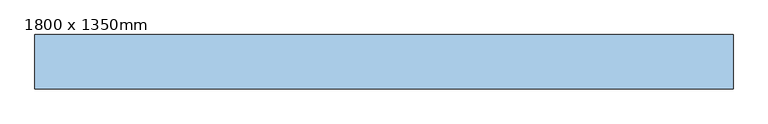
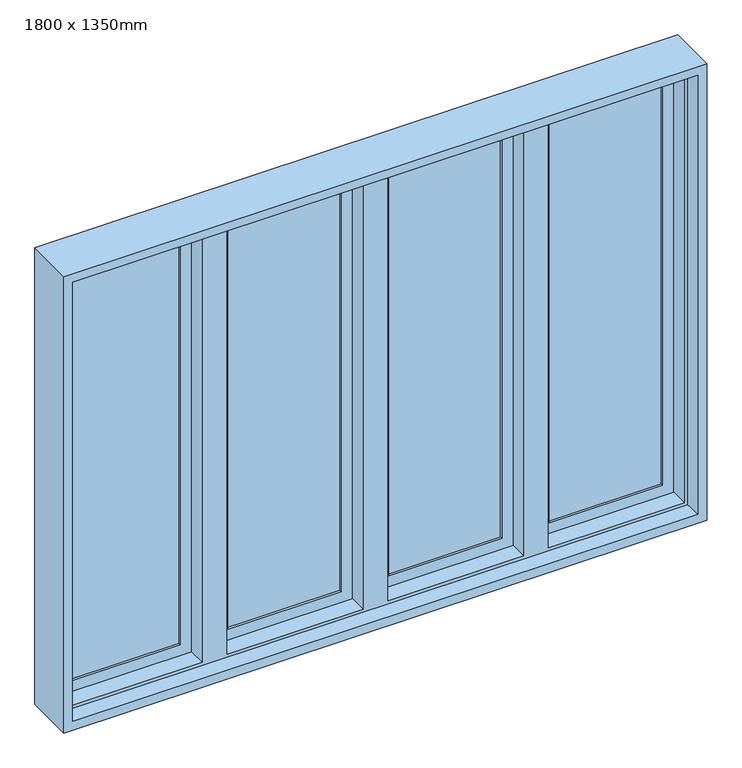
"""IFC4 building model written with IfcOpenShell, lengths in millimetres: window geometry, 1800 x 1350mm."""

from ifc_helpers import new_model, si_unit, frame, origin, place, context, project, spatial, polyline, outline, extrude, faceted_brep, source, transform, mapped, element, save


def window_1800_x_1350mm_4eae6bbc(model_context):
    return source(origin(), model_context, "Body", "SolidModel", [
        extrude(outline(polyline([(2224.6, -424.6), (925.4, -424.6), (925.4, -25.4), (2224.6, -25.4), (2224.6, -424.6)]), holes=[polyline([(2183.2, -66.8), (966.8, -66.8), (966.8, -383.2), (2183.2, -383.2), (2183.2, -66.8)])]), frame((0.0, 28.7, 0.0), z_axis=(0.0, 1.0, 0.0), x_axis=(0.0, 0.0, 1.0)), (0.0, 0.0, 1.0), 31.75),
        extrude(outline(polyline([(2224.6, 25.4), (925.4, 25.4), (925.4, 424.6), (2224.6, 424.6), (2224.6, 25.4)]), holes=[polyline([(2183.2, 383.2), (966.8, 383.2), (966.8, 66.8), (2183.2, 66.8), (2183.2, 383.2)])]), frame((0.0, 28.7, 0.0), z_axis=(0.0, 1.0, 0.0), x_axis=(0.0, 0.0, 1.0)), (0.0, 0.0, 1.0), 31.75),
        faceted_brep([(-475.4, 28.7, 2224.6), (-874.6, 28.7, 2224.6), (-874.6, 70.0, 2224.6), (874.6, 70.0, 2224.6), (874.6, 28.7, 2224.6), (475.4, 28.7, 2224.6), (475.4, 66.8, 2224.6), (424.6, 66.8, 2224.6), (424.6, 28.7, 2224.6), (25.4, 28.7, 2224.6), (25.4, 66.8, 2224.6), (-25.4, 66.8, 2224.6), (-25.4, 28.7, 2224.6), (-424.6, 28.7, 2224.6), (-424.6, 66.8, 2224.6), (-475.4, 66.8, 2224.6), (-865.0, -22.1, 2215.0), (-865.0, 28.7, 2215.0), (-485.0, 28.7, 2215.0), (-485.0, -22.1, 2215.0), (865.0, 28.7, 2215.0), (865.0, -22.1, 2215.0), (485.0, -22.1, 2215.0), (485.0, 28.7, 2215.0), (-415.0, 28.7, 2215.0), (-35.0, 28.7, 2215.0), (-35.0, -22.1, 2215.0), (-415.0, -22.1, 2215.0), (35.0, 28.7, 2215.0), (415.0, 28.7, 2215.0), (415.0, -22.1, 2215.0), (35.0, -22.1, 2215.0), (-874.6, -70.0, 2224.6), (-874.6, -22.1, 2224.6), (874.6, -22.1, 2224.6), (874.6, -70.0, 2224.6), (-900.0, 70.0, 2250.0), (-900.0, -70.0, 2250.0), (900.0, -70.0, 2250.0), (900.0, 70.0, 2250.0), (874.6, 70.0, 925.4), (874.6, 28.7, 925.4), (865.0, 28.7, 935.0), (865.0, -22.1, 935.0), (874.6, -22.1, 925.4), (874.6, -70.0, 925.4), (900.0, -70.0, 900.0), (900.0, 70.0, 900.0), (475.4, 28.7, 925.4), (-874.6, 70.0, 925.4), (-874.6, 28.7, 925.4), (-475.4, 28.7, 925.4), (-475.4, 66.8, 925.4), (-424.6, 66.8, 925.4), (-424.6, 28.7, 925.4), (-25.4, 28.7, 925.4), (-25.4, 66.8, 925.4), (25.4, 66.8, 925.4), (25.4, 28.7, 925.4), (424.6, 28.7, 925.4), (424.6, 66.8, 925.4), (475.4, 66.8, 925.4), (485.0, 28.7, 935.0), (485.0, -22.1, 935.0), (-865.0, 28.7, 935.0), (-865.0, -22.1, 935.0), (-485.0, -22.1, 935.0), (-485.0, 28.7, 935.0), (-35.0, 28.7, 935.0), (-415.0, 28.7, 935.0), (-415.0, -22.1, 935.0), (-35.0, -22.1, 935.0), (415.0, 28.7, 935.0), (35.0, 28.7, 935.0), (35.0, -22.1, 935.0), (415.0, -22.1, 935.0), (-874.6, -22.1, 925.4), (-874.6, -70.0, 925.4), (-900.0, -70.0, 900.0), (-900.0, 70.0, 900.0)], [[[0, 1, 2, 3, 4, 5, 6, 7, 8, 9, 10, 11, 12, 13, 14, 15]], [[16, 17, 18, 19]], [[20, 21, 22, 23]], [[24, 25, 26, 27]], [[28, 29, 30, 31]], [[32, 33, 34, 35]], [[36, 37, 38, 39]], [[4, 3, 40, 41]], [[21, 20, 42, 43]], [[35, 34, 44, 45]], [[39, 38, 46, 47]], [[48, 41, 40, 49, 50, 51, 52, 53, 54, 55, 56, 57, 58, 59, 60, 61]], [[43, 42, 62, 63]], [[64, 65, 66, 67]], [[68, 69, 70, 71]], [[72, 73, 74, 75]], [[45, 44, 76, 77]], [[47, 46, 78, 79]], [[2, 1, 50, 49]], [[4, 41, 48, 5], [20, 23, 62, 42]], [[50, 1, 0, 51], [64, 67, 18, 17]], [[12, 55, 54, 13], [69, 68, 25, 24]], [[8, 59, 58, 9], [73, 72, 29, 28]], [[17, 16, 65, 64]], [[44, 34, 33, 76], [16, 19, 66, 65], [27, 26, 71, 70], [31, 30, 75, 74], [21, 43, 63, 22]], [[33, 32, 77, 76]], [[38, 37, 78, 46], [32, 35, 45, 77]], [[37, 36, 79, 78]], [[36, 39, 47, 79], [3, 2, 49, 40]], [[18, 67, 66, 19]], [[69, 24, 27, 70]], [[53, 14, 13, 54]], [[14, 53, 52, 15]], [[15, 52, 51, 0]], [[25, 68, 71, 26]], [[73, 28, 31, 74]], [[57, 10, 9, 58]], [[10, 57, 56, 11]], [[11, 56, 55, 12]], [[6, 61, 60, 7]], [[7, 60, 59, 8]], [[29, 72, 75, 30]], [[62, 23, 22, 63]], [[61, 6, 5, 48]]]),
        extrude(outline(polyline([(-66.8, 54.1), (-66.8, 47.75), (-383.2, 47.75), (-383.2, 54.1), (-66.8, 54.1)])), frame((0.0, 0.0, 966.8), z_axis=(0.0, 0.0, 1.0), x_axis=(1.0, 0.0, 0.0)), (0.0, 0.0, 1.0), 1216.4),
        extrude(outline(polyline([(-66.8, 41.4), (-66.8, 35.05), (-383.2, 35.05), (-383.2, 41.4), (-66.8, 41.4)])), frame((0.0, 0.0, 966.8), z_axis=(0.0, 0.0, 1.0), x_axis=(1.0, 0.0, 0.0)), (0.0, 0.0, 1.0), 1216.4),
        extrude(outline(polyline([(383.2, 54.1), (383.2, 47.75), (66.8, 47.75), (66.8, 54.1), (383.2, 54.1)])), frame((0.0, 0.0, 966.8), z_axis=(0.0, 0.0, 1.0), x_axis=(1.0, 0.0, 0.0)), (0.0, 0.0, 1.0), 1216.4),
        extrude(outline(polyline([(383.2, 41.4), (383.2, 35.05), (66.8, 35.05), (66.8, 41.4), (383.2, 41.4)])), frame((0.0, 0.0, 966.8), z_axis=(0.0, 0.0, 1.0), x_axis=(1.0, 0.0, 0.0)), (0.0, 0.0, 1.0), 1216.4),
        extrude(outline(polyline([(-516.8, 54.1), (-516.8, 47.75), (-833.2, 47.75), (-833.2, 54.1), (-516.8, 54.1)])), frame((0.0, 0.0, 967.2703125), z_axis=(0.0, 0.0, 1.0), x_axis=(1.0, 0.0, 0.0)), (0.0, 0.0, 1.0), 1215.9296875),
        extrude(outline(polyline([(-516.8, 41.4), (-516.8, 35.05), (-833.2, 35.05), (-833.2, 41.4), (-516.8, 41.4)])), frame((0.0, 0.0, 967.2703125), z_axis=(0.0, 0.0, 1.0), x_axis=(1.0, 0.0, 0.0)), (0.0, 0.0, 1.0), 1215.9296875),
        extrude(outline(polyline([(833.2, 54.1), (833.2, 47.75), (516.8, 47.75), (516.8, 54.1), (833.2, 54.1)])), frame((0.0, 0.0, 967.2703125), z_axis=(0.0, 0.0, 1.0), x_axis=(1.0, 0.0, 0.0)), (0.0, 0.0, 1.0), 1215.9296875),
        extrude(outline(polyline([(833.2, 41.4), (833.2, 35.05), (516.8, 35.05), (516.8, 41.4), (833.2, 41.4)])), frame((0.0, 0.0, 967.2703125), z_axis=(0.0, 0.0, 1.0), x_axis=(1.0, 0.0, 0.0)), (0.0, 0.0, 1.0), 1215.9296875),
        extrude(outline(polyline([(2224.6, -874.6), (925.4, -874.6), (925.4, -475.4), (2224.6, -475.4), (2224.6, -874.6)]), holes=[polyline([(2183.2, -516.8), (966.8, -516.8), (966.8, -833.2), (2183.2, -833.2), (2183.2, -516.8)])]), frame((0.0, 28.7, 0.0), z_axis=(0.0, 1.0, 0.0), x_axis=(0.0, 0.0, 1.0)), (0.0, 0.0, 1.0), 31.75),
        extrude(outline(polyline([(2224.6, 475.4), (925.4, 475.4), (925.4, 874.6), (2224.6, 874.6), (2224.6, 475.4)]), holes=[polyline([(2183.2, 833.2), (966.8, 833.2), (966.8, 516.8), (2183.2, 516.8), (2183.2, 833.2)])]), frame((0.0, 28.7, 0.0), z_axis=(0.0, 1.0, 0.0), x_axis=(0.0, 0.0, 1.0)), (0.0, 0.0, 1.0), 31.75),
    ])


if __name__ == "__main__":
    model = new_model("IFC4")
    model_context = context("Model", 3, world=origin())
    ifc_project = project(units=[si_unit("LENGTHUNIT", "METRE", prefix="MILLI")], contexts=[model_context])
    site = spatial("IfcSite", under=ifc_project)
    building = spatial("IfcBuilding", under=site)
    placement = place(None, origin())
    window_1800_x_1350mm_shape = window_1800_x_1350mm_4eae6bbc(model_context)
    element("IfcWindow", 1, ObjectType="1800 x 1350mm", at=placement, inside=building, context=model_context, shape_type="MappedRepresentation", body=[
        mapped(window_1800_x_1350mm_shape, transform((0.0, 0.0, 0.0), x_axis=(1.0, 0.0, 0.0), y_axis=(0.0, 1.0, 0.0), z_axis=(0.0, 0.0, 1.0))),
    ])
    save(model, "model.ifc")
